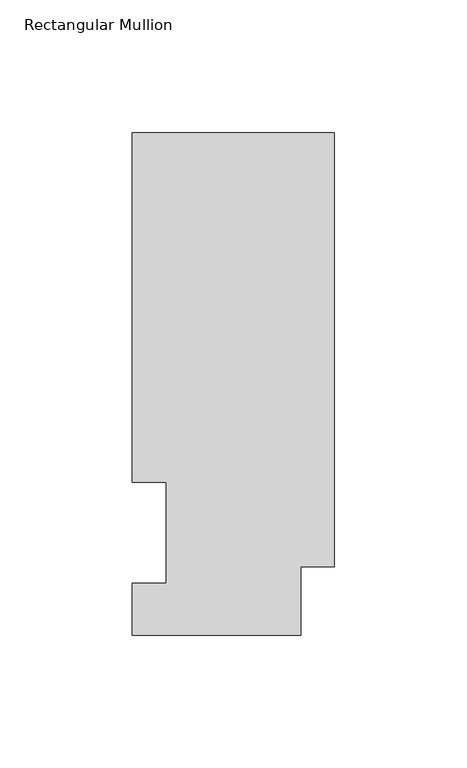
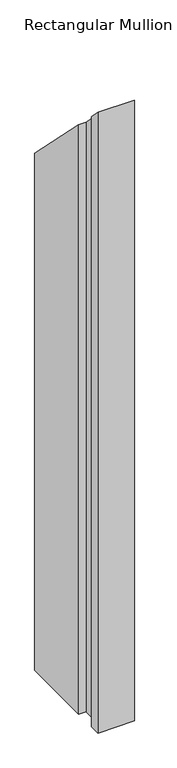
"""IFC4 building model written with IfcOpenShell, lengths in millimetres: member geometry, Rectangular Mullion."""

from ifc_helpers import new_model, si_unit, origin, place, context, project, spatial, faceted_brep, source, transform, mapped, element, save


def rectangular_mullion_0c6651d1(model_context):
    return source(origin(), model_context, "Body", "Brep", [
        faceted_brep([(-76.2, 189.8022937, -1136.7354567), (0.0, 189.8022938, -1136.7354567), (0.0, 25.8955957, -1136.7354567), (-12.7, 25.8955957, -1136.7354567), (-12.7, 0.0134938, -1136.7354567), (-76.2, 0.0134938, -1136.7354567), (-76.2, 19.5460938, -1136.7354567), (-63.5, 19.5460938, -1136.7354567), (-63.5, 57.6460937, -1136.7354567), (-76.2, 57.6460937, -1136.7354567), (-76.2, 57.6460937, -57.6460937), (-76.2, 189.8022937, -189.8022938), (-63.5, 57.6460937, -57.6460937), (-63.5, 19.5460938, -19.5460938), (-76.2, 19.5460938, -19.5460938), (-76.2, 0.0134938, -0.0134938), (-12.7, 0.0134938, -0.0134938), (-12.7, 25.8955957, -25.8955957), (0.0, 25.8955957, -25.8955957), (0.0, 189.8022938, -189.8022938)], [[[0, 1, 2, 3, 4, 5, 6, 7, 8, 9]], [[10, 11, 0, 9]], [[12, 10, 9, 8]], [[13, 12, 8, 7]], [[14, 13, 7, 6]], [[15, 14, 6, 5]], [[16, 15, 5, 4]], [[17, 16, 4, 3]], [[18, 17, 3, 2]], [[19, 18, 2, 1]], [[11, 19, 1, 0]], [[11, 10, 12, 13, 14, 15, 16, 17, 18, 19]]]),
    ])


if __name__ == "__main__":
    model = new_model("IFC4")
    model_context = context("Model", 3, world=origin())
    ifc_project = project(units=[si_unit("LENGTHUNIT", "METRE", prefix="MILLI")], contexts=[model_context])
    site = spatial("IfcSite", under=ifc_project)
    building = spatial("IfcBuilding", under=site)
    placement = place(None, origin())
    rectangular_mullion_shape = rectangular_mullion_0c6651d1(model_context)
    element("IfcMember", 1, ObjectType="Rectangular Mullion", at=placement, inside=building, context=model_context, shape_type="MappedRepresentation", body=[
        mapped(rectangular_mullion_shape, transform((0.0, 0.0, 0.0), x_axis=(1.0, 0.0, 0.0), y_axis=(0.0, 1.0, 0.0), z_axis=(0.0, 0.0, 1.0))),
    ])
    save(model, "model.ifc")
